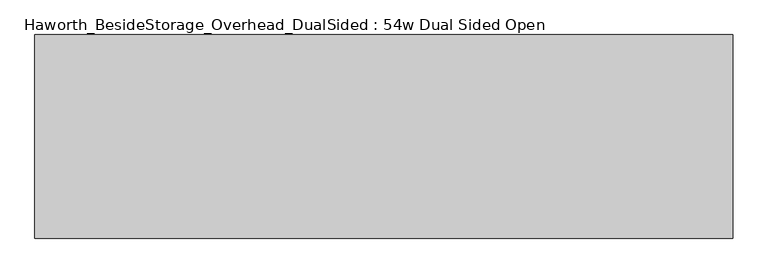
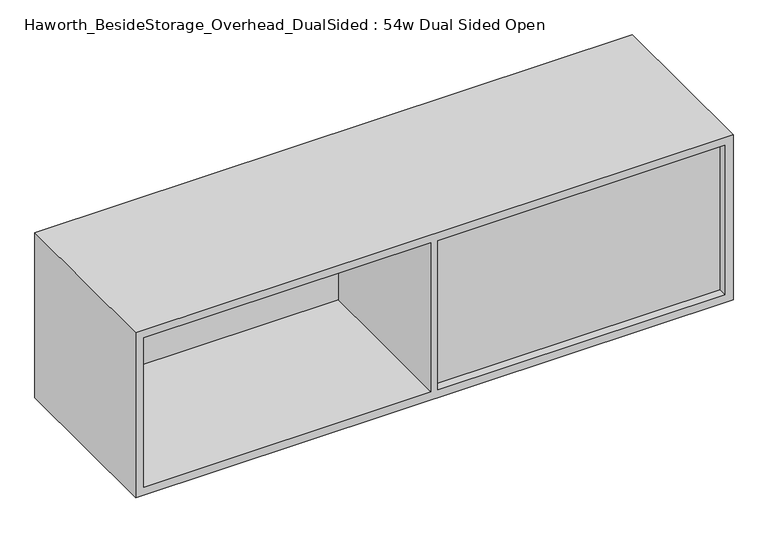
"""IFC4 building model written with IfcOpenShell, lengths in millimetres: furniture geometry, Haworth_BesideStorage_Overhead_DualSided : 54w Dual Sided Open."""

from ifc_helpers import new_model, si_unit, frame, origin, place, context, project, spatial, polyline, outline, extrude, source, transform, mapped, element, save


def haworth_besidestorage_overhead_dualsided_54w_dual_sided_open_fd7ca201(model_context):
    return source(origin(), model_context, "Body", "SweptSolid", [
        extrude(outline(polyline([(-64.8684159, -371.475), (593.9440841, -371.475), (593.9440841, -384.175), (-64.8684159, -384.175), (-64.8684159, -371.475)])), frame((0.0, 0.0, 781.05), z_axis=(0.0, 0.0, 1.0), x_axis=(1.0, 0.0, 0.0)), (0.0, 0.0, 1.0), 361.95),
        extrude(outline(polyline([(-739.5559159, -22.225), (-80.7434159, -22.225), (-80.7434159, -34.925), (-739.5559159, -34.925), (-739.5559159, -22.225)])), frame((0.0, 0.0, 781.05), z_axis=(0.0, 0.0, 1.0), x_axis=(1.0, 0.0, 0.0)), (0.0, 0.0, 1.0), 361.95),
        extrude(outline(polyline([(762.0, 612.9940841), (1162.05, 612.9940841), (1162.05, -758.6059159), (762.0, -758.6059159), (762.0, 612.9940841)]), holes=[polyline([(1143.0, -80.7434159), (781.05, -80.7434159), (781.05, -739.5559159), (1143.0, -739.5559159), (1143.0, -80.7434159)]), polyline([(781.05, 593.9440841), (781.05, -64.8684159), (1143.0, -64.8684159), (1143.0, 593.9440841), (781.05, 593.9440841)])]), frame((0.0, -403.225, 0.0), z_axis=(0.0, 1.0, 0.0), x_axis=(0.0, 0.0, 1.0)), (0.0, 0.0, 1.0), 400.05),
    ])


if __name__ == "__main__":
    model = new_model("IFC4")
    model_context = context("Model", 3, world=origin())
    ifc_project = project(units=[si_unit("LENGTHUNIT", "METRE", prefix="MILLI")], contexts=[model_context])
    site = spatial("IfcSite", under=ifc_project)
    building = spatial("IfcBuilding", under=site)
    placement = place(None, origin())
    haworth_besidestorage_overhead_dualsided_54w_dual_sided_open_shape = haworth_besidestorage_overhead_dualsided_54w_dual_sided_open_fd7ca201(model_context)
    element("IfcFurniture", 1, ObjectType="Haworth_BesideStorage_Overhead_DualSided : 54w Dual Sided Open", at=placement, inside=building, context=model_context, shape_type="MappedRepresentation", body=[
        mapped(haworth_besidestorage_overhead_dualsided_54w_dual_sided_open_shape, transform((0.0, 0.0, 0.0), x_axis=(1.0, 0.0, 0.0), y_axis=(0.0, 1.0, 0.0), z_axis=(0.0, 0.0, 1.0))),
    ])
    save(model, "model.ifc")
